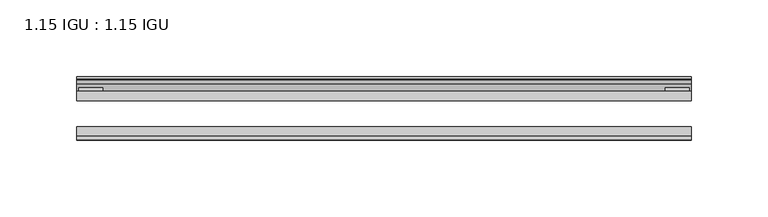
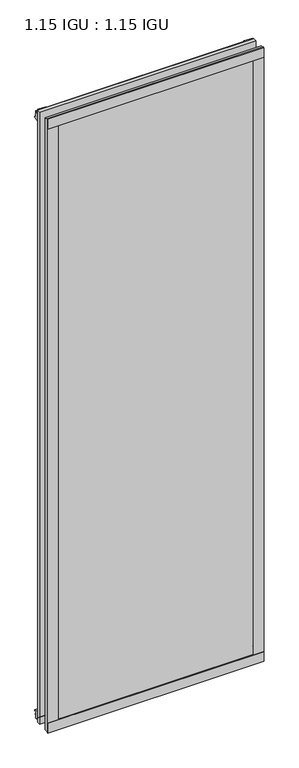
"""IFC4 building model written with IfcOpenShell, lengths in millimetres: plate geometry, 1.15 IGU : 1.15 IGU."""

import ifcopenshell
import ifcopenshell.guid

model = None  # the IFC model being written
_history = None  # IfcOwnerHistory: only IFC2X3 demands one
_inside = {}  # id of a spatial element -> (the spatial element, [elements in it])
_under = {}  # id of a project, library or spatial element -> (it, [spatial elements below it])
_declared = {}  # id of a project -> (the project, [libraries it declares])
_typed = {}  # id of a type object -> (the type object, [elements of that type])
_made_of = {}  # id of a material, layer set ... -> (it, [elements and type objects made of it])


def new_model(schema):
    """Start an empty IFC model of exactly this schema.

    Asked for "IFC4X3", IfcOpenShell would pick the latest addendum, in which some entities
    have other attributes; the version numbers below select the first issue.
    IFC2X3 requires an IfcOwnerHistory on every rooted entity: one is made here for all.
    """
    global model, _history
    if schema == "IFC4X3":
        model = ifcopenshell.file(schema_version=(4, 3, 0, 0))
    else:
        model = ifcopenshell.file(schema=schema)
    _inside.clear()
    _under.clear()
    _declared.clear()
    _typed.clear()
    _made_of.clear()
    _history = None
    if model.schema == "IFC2X3":
        org = make("IfcOrganization", Name="unknown")
        user = make(
            "IfcPersonAndOrganization",
            ThePerson=make("IfcPerson", FamilyName="unknown"),
            TheOrganization=org,
        )
        app = make(
            "IfcApplication",
            ApplicationDeveloper=org,
            Version="unknown",
            ApplicationFullName="unknown",
            ApplicationIdentifier="unknown",
        )
        _history = make(
            "IfcOwnerHistory",
            OwningUser=user,
            OwningApplication=app,
            ChangeAction="ADDED",
            CreationDate=0,
        )
    return model


def make(cls, **values):
    """One entity of the class cls with the attributes given. An attribute that is None is left unset."""
    return model.create_entity(
        cls, **{name: value for name, value in values.items() if value is not None}
    )


def rooted(cls, **values):
    """An entity with a GlobalId (a new one), such as an element, a storey or a relation."""
    return make(cls, GlobalId=ifcopenshell.guid.new(), OwnerHistory=_history, **values)


def si_unit(unit_type, name, prefix=None):
    """IfcSIUnit, for example si_unit("LENGTHUNIT", "METRE", prefix="MILLI")."""
    return make("IfcSIUnit", UnitType=unit_type, Prefix=prefix, Name=name)


def assignment(units):
    """IfcUnitAssignment: the units of a project."""
    return None if units is None else make("IfcUnitAssignment", Units=units)


def point(xyz):
    """IfcCartesianPoint."""
    return None if xyz is None else make("IfcCartesianPoint", Coordinates=xyz)


def direction(xyz):
    """IfcDirection."""
    return None if xyz is None else make("IfcDirection", DirectionRatios=xyz)


def frame(location, z_axis=None, x_axis=None):
    """IfcAxis2Placement3D, a coordinate frame: its origin and axes. An axis left out is left unset."""
    return make(
        "IfcAxis2Placement3D",
        Location=point(location),
        Axis=direction(z_axis),
        RefDirection=direction(x_axis),
    )


def frame_2d(location, x_axis=None):
    """IfcAxis2Placement2D, a coordinate frame in the plane: its origin and x axis."""
    return make(
        "IfcAxis2Placement2D", Location=point(location), RefDirection=direction(x_axis)
    )


def origin():
    """The frame at (0, 0, 0) with its axes left unset."""
    return frame((0.0, 0.0, 0.0))


def place(relative_to, where):
    """IfcLocalPlacement: puts the frame where relative to a parent placement (None: the world)."""
    return make(
        "IfcLocalPlacement", PlacementRelTo=relative_to, RelativePlacement=where
    )


def context(
    kind, dimensions, precision=None, world=None, true_north=None, identifier=None
):
    """IfcGeometricRepresentationContext, for example the 3D "Model" context."""
    return make(
        "IfcGeometricRepresentationContext",
        ContextIdentifier=identifier,
        ContextType=kind,
        CoordinateSpaceDimension=dimensions,
        Precision=precision,
        WorldCoordinateSystem=world,
        TrueNorth=true_north,
    )


def project(units=None, contexts=None):
    """IfcProject with its units and contexts."""
    return rooted(
        "IfcProject",
        Name="project",
        RepresentationContexts=contexts,
        UnitsInContext=assignment(units),
    )


def spatial(cls, under=None, at=None, **own):
    """A site, building, storey or space (cls), placed at a placement, below another one or the project."""
    s = rooted(cls, ObjectPlacement=at, **own)
    if under is not None:
        _under.setdefault(under.id(), (under, []))[1].append(s)
    return s


def polyline(points):
    """IfcPolyline through the points."""
    return make("IfcPolyline", Points=[point(p) for p in points])


def circle_curve(where, radius):
    """IfcCircle in the frame where."""
    return make("IfcCircle", Position=where, Radius=radius)


def trimmed(basis, trim1, trim2, sense, master):
    """IfcTrimmedCurve: the piece of a basis curve between two trims."""
    return make(
        "IfcTrimmedCurve",
        BasisCurve=basis,
        Trim1=trim1,
        Trim2=trim2,
        SenseAgreement=sense,
        MasterRepresentation=master,
    )


def segment(curve, same_sense, transition):
    """IfcCompositeCurveSegment."""
    return make(
        "IfcCompositeCurveSegment",
        Transition=transition,
        SameSense=same_sense,
        ParentCurve=curve,
    )


def composite_curve(segments, self_intersect=None):
    """IfcCompositeCurve: segments joined end to end."""
    return make("IfcCompositeCurve", Segments=segments, SelfIntersect=self_intersect)


def outline(outer, holes=None, kind="AREA"):
    """IfcArbitraryClosedProfileDef: a profile drawn as a closed curve; with holes, ...WithVoids."""
    if holes is None:
        return make("IfcArbitraryClosedProfileDef", ProfileType=kind, OuterCurve=outer)
    return make(
        "IfcArbitraryProfileDefWithVoids",
        ProfileType=kind,
        OuterCurve=outer,
        InnerCurves=holes,
    )


def extrude(swept, where, along, depth):
    """IfcExtrudedAreaSolid: the profile swept, set in the frame where, extruded along a direction by depth."""
    return make(
        "IfcExtrudedAreaSolid",
        SweptArea=swept,
        Position=where,
        ExtrudedDirection=direction(along),
        Depth=depth,
    )


def shape(context_of_items, identifier, shape_type, items):
    """IfcShapeRepresentation: the items that make up one representation, for example the "Body"."""
    return make(
        "IfcShapeRepresentation",
        ContextOfItems=context_of_items,
        RepresentationIdentifier=identifier,
        RepresentationType=shape_type,
        Items=items,
    )


def source(mapping_origin, context_of_items, identifier, shape_type, items):
    """IfcRepresentationMap: a shape defined once, which mapped items show again and again."""
    return make(
        "IfcRepresentationMap",
        MappingOrigin=mapping_origin,
        MappedRepresentation=shape(context_of_items, identifier, shape_type, items),
    )


def transform(
    local_origin,
    x_axis=None,
    y_axis=None,
    z_axis=None,
    scale=None,
    scale2=None,
    scale3=None,
    uniform=True,
):
    """IfcCartesianTransformationOperator3D, or its non-uniform kind. x_axis, y_axis, z_axis: its Axis1, 2, 3."""
    if uniform:
        return make(
            "IfcCartesianTransformationOperator3D",
            Axis1=direction(x_axis),
            Axis2=direction(y_axis),
            LocalOrigin=point(local_origin),
            Scale=scale,
            Axis3=direction(z_axis),
        )
    return make(
        "IfcCartesianTransformationOperator3DnonUniform",
        Axis1=direction(x_axis),
        Axis2=direction(y_axis),
        LocalOrigin=point(local_origin),
        Scale=scale,
        Axis3=direction(z_axis),
        Scale2=scale2,
        Scale3=scale3,
    )


def mapped(mapping_source, mapping_target):
    """IfcMappedItem: shows the shape of a source again, moved by a transform."""
    return make(
        "IfcMappedItem", MappingSource=mapping_source, MappingTarget=mapping_target
    )


def made_of(thing, what):
    """Note that an element or type object is made of a material, layer set ...; save() writes the relation."""
    if what is not None:
        _made_of.setdefault(what.id(), (what, []))[1].append(thing)
    return thing


def element(
    cls,
    number,
    at=None,
    inside=None,
    cuts=None,
    type_object=None,
    material=None,
    context=None,
    identifier="Body",
    shape_type=None,
    held_by="IfcProductDefinitionShape",
    body=None,
    shapes=None,
    **own,
):
    """One element of the class cls, such as IfcWall. Its Tag is "e" and its number.

    at: its placement. inside: the storey or other place that contains it. cuts: it is an
    opening in that element (IfcRelVoidsElement). A single representation is given by context,
    identifier, shape_type and body (its items); several are given by shapes. held_by: the class
    of the entity that holds the representations. save() writes the other relations.
    """
    e = rooted(cls, Tag="e%d" % number, ObjectPlacement=at, **own)
    if body is not None:
        shapes = [shape(context, identifier, shape_type, body)]
    if shapes is not None:
        e.Representation = make(held_by, Representations=shapes)
    if inside is not None:
        _inside.setdefault(inside.id(), (inside, []))[1].append(e)
    if cuts is not None:
        rooted(
            "IfcRelVoidsElement", RelatingBuildingElement=cuts, RelatedOpeningElement=e
        )
    if type_object is not None:
        _typed.setdefault(type_object.id(), (type_object, []))[1].append(e)
    return made_of(e, material)


def aggregate(whole, parts):
    """IfcRelAggregates: a whole, such as a stair, and the parts it consists of."""
    return rooted("IfcRelAggregates", RelatingObject=whole, RelatedObjects=parts)


def save(model, path):
    """Write the relations noted so far, then the file.

    IfcRelAggregates (storeys below a building ...), IfcRelContainedInSpatialStructure (elements
    in a storey), IfcRelDefinesByType, IfcRelAssociatesMaterial and IfcRelDeclares: one each for
    every whole, place, type object, material and project.
    """
    for whole, parts in _under.values():
        aggregate(whole, parts)
    for where, things in _inside.values():
        rooted(
            "IfcRelContainedInSpatialStructure",
            RelatedElements=things,
            RelatingStructure=where,
        )
    for kind, things in _typed.values():
        rooted("IfcRelDefinesByType", RelatedObjects=things, RelatingType=kind)
    for what, things in _made_of.values():
        rooted("IfcRelAssociatesMaterial", RelatedObjects=things, RelatingMaterial=what)
    for by, libraries in _declared.values():
        rooted("IfcRelDeclares", RelatingContext=by, RelatedDefinitions=libraries)
    model.write(path)


def plate_1_15_igu_1_15_igu_f79971f6(model_context):
    return source(origin(), model_context, "Body", "SweptSolid", [
        extrude(outline(polyline([(200.2742375, 0.0), (200.2742375, -6.2992), (-200.2742375, -6.2992), (-200.2742375, 0.0), (200.2742375, 0.0)])), frame((0.0, 0.0, -17.4498), z_axis=(0.0, 0.0, 1.0), x_axis=(1.0, 0.0, 0.0)), (0.0, 0.0, 1.0), 1196.9496),
        extrude(outline(polyline([(-200.2742375, -23.1648), (200.2742375, -23.1648), (200.2742375, -29.464), (-200.2742375, -29.464), (-200.2742375, -23.1648)])), frame((0.0, 0.0, -17.4498), z_axis=(0.0, 0.0, 1.0), x_axis=(1.0, 0.0, 0.0)), (0.0, 0.0, 1.0), 1196.9496),
        extrude(outline(polyline([(-200.2742375, -31.75), (-200.2742375, -29.464), (200.2742375, -29.464), (200.2742375, -31.75), (-200.2742375, -31.75)])), frame((0.0, 0.0, -19.05), z_axis=(0.0, 0.0, 1.0), x_axis=(1.0, 0.0, 0.0)), (0.0, 0.0, 1.0), 19.05),
        extrude(outline(composite_curve([segment(trimmed(circle_curve(frame_2d((13.6593785, 32.4202472)), 31.3046461), [point((0.0, 4.2528503))], [point((9.3980339, 1.406995))], True, "CARTESIAN"), True, "CONTINUOUS"), segment(polyline([(9.3980339, 1.406995), (9.3980339, 0.0254), (6.35, 0.0254), (6.35, -5.1625788), (7.7309478, -5.3970663), (6.35, -8.0073788), (6.35, -11.8471127)]), True, "CONTINUOUS"), segment(trimmed(circle_curve(frame_2d((5.334, -11.8471127)), 1.016), [point((6.35, -11.8471127))], [point((4.6284878, -12.5782136))], False, "CARTESIAN"), True, "CONTINUOUS"), segment(trimmed(circle_curve(frame_2d((-23.3689302, -41.5910901)), 40.3187601), [point((4.6284878, -12.5782136))], [point((0.0, -8.735413))], True, "CARTESIAN"), True, "CONTINUOUS"), segment(polyline([(0.0, -8.735413), (0.0, 4.2528503)]), True, "CONTINUOUS")], self_intersect=False)), frame((-200.2742375, 0.0, 0.0), z_axis=(1.0, 0.0, 0.0), x_axis=(0.0, 1.0, 0.0)), (0.0, 0.0, 1.0), 400.548475),
        extrude(outline(composite_curve([segment(trimmed(circle_curve(frame_2d((-23.3689302, 1203.6664901)), 40.3187601), [point((0.0, 1170.810813))], [point((4.9746073, 1174.9916528))], True, "CARTESIAN"), True, "CONTINUOUS"), segment(trimmed(circle_curve(frame_2d((5.8674, 1174.0884245)), 1.27), [point((4.9746073, 1174.9916528))], [point((7.1374, 1174.0884245))], False, "CARTESIAN"), True, "CONTINUOUS"), segment(polyline([(7.1374, 1174.0884245), (7.1374, 1169.6876168), (7.7309478, 1167.4724663), (6.35, 1167.2379788), (6.35, 1162.05), (9.3980339, 1162.05), (9.3980339, 1160.668405)]), True, "CONTINUOUS"), segment(trimmed(circle_curve(frame_2d((13.6593785, 1129.6551528)), 31.3046461), [point((9.3980339, 1160.668405))], [point((0.0, 1157.8225497))], True, "CARTESIAN"), True, "CONTINUOUS"), segment(polyline([(0.0, 1157.8225497), (0.0, 1170.810813)]), True, "CONTINUOUS")], self_intersect=False)), frame((-200.2742375, 0.0, 0.0), z_axis=(1.0, 0.0, 0.0), x_axis=(0.0, 1.0, 0.0)), (0.0, 0.0, 1.0), 400.548475),
        extrude(outline(polyline([(-200.2742375, -31.75), (-200.2742375, -29.464), (200.2742375, -29.464), (200.2742375, -31.75), (-200.2742375, -31.75)])), frame((0.0, 0.0, 1162.05), z_axis=(0.0, 0.0, 1.0), x_axis=(1.0, 0.0, 0.0)), (0.0, 0.0, 1.0), 19.05),
        extrude(outline(polyline([(181.2242375, -29.464), (200.2742375, -29.464), (200.2742375, -31.75), (181.2242375, -31.75), (181.2242375, -29.464)])), frame((0.0, 0.0, -17.4498), z_axis=(0.0, 0.0, 1.0), x_axis=(1.0, 0.0, 0.0)), (0.0, 0.0, 1.0), 1196.9496),
        extrude(outline(polyline([(199.0677375, 2.2860088), (199.0677375, 0.0021347), (183.1927375, 0.0021347), (183.1927375, 2.2860088), (199.0677375, 2.2860088)])), frame((0.0, 0.0, -17.4498), z_axis=(0.0, 0.0, 1.0), x_axis=(1.0, 0.0, 0.0)), (0.0, 0.0, 1.0), 1196.9496),
        extrude(outline(polyline([(-200.2742375, -31.75), (-200.2742375, -29.464), (-181.2242375, -29.464), (-181.2242375, -31.75), (-200.2742375, -31.75)])), frame((0.0, 0.0, -17.4498), z_axis=(0.0, 0.0, 1.0), x_axis=(1.0, 0.0, 0.0)), (0.0, 0.0, 1.0), 1196.9496),
        extrude(outline(polyline([(-199.0677375, 0.0), (-199.0677375, 2.286), (-183.1927375, 2.286), (-183.1927375, 0.0), (-199.0677375, 0.0)])), frame((0.0, 0.0, -17.4498), z_axis=(0.0, 0.0, 1.0), x_axis=(1.0, 0.0, 0.0)), (0.0, 0.0, 1.0), 1196.9496),
    ])


if __name__ == "__main__":
    model = new_model("IFC4")
    model_context = context("Model", 3, world=origin())
    ifc_project = project(units=[si_unit("LENGTHUNIT", "METRE", prefix="MILLI")], contexts=[model_context])
    site = spatial("IfcSite", under=ifc_project)
    building = spatial("IfcBuilding", under=site)
    placement = place(None, origin())
    plate_1_15_igu_1_15_igu_shape = plate_1_15_igu_1_15_igu_f79971f6(model_context)
    element("IfcPlate", 1, ObjectType="1.15 IGU : 1.15 IGU", at=placement, inside=building, context=model_context, shape_type="MappedRepresentation", body=[
        mapped(plate_1_15_igu_1_15_igu_shape, transform((0.0, 0.0, 0.0), x_axis=(1.0, 0.0, 0.0), y_axis=(0.0, 1.0, 0.0), z_axis=(0.0, 0.0, 1.0))),
    ])
    save(model, "model.ifc")
